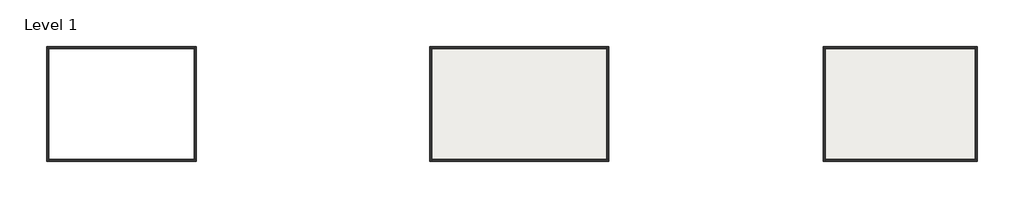
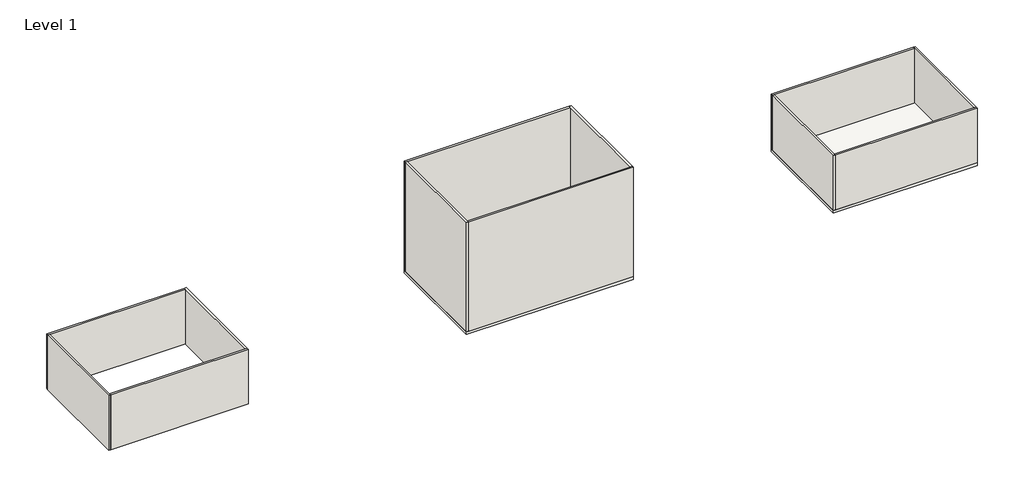
# One storey: 12 walls, 2 slabs.
"""IFC4 building model written with IfcOpenShell, lengths in millimetres."""

from ifc_helpers import new_model, si_unit, frame, origin, place, context, project, spatial, polyline, outline, extrude, faceted_brep, element, save

model = new_model("IFC4")

# Units and contexts
model_context = context("Model", 3, world=origin())
ifc_project = project(units=[si_unit("LENGTHUNIT", "METRE", prefix="MILLI")], contexts=[model_context])

# Site, building, storey
site = spatial("IfcSite", under=ifc_project)
building = spatial("IfcBuilding", under=site)
storey = spatial("IfcBuildingStorey", under=building, Name="Level 1", Elevation=0.0)

# Slabs
placement = place(None, origin())
element("IfcSlab", 1, ObjectType="Generic - 12\"", at=placement, inside=storey, context=model_context, shape_type="SweptSolid", body=[
    extrude(outline(polyline([(57853.174603, 12081.3390377), (57853.174603, 752.9390377), (40276.374603, 752.9390377), (40276.374603, 12081.3390377), (57853.174603, 12081.3390377)])), frame((0.0, 0.0, -304.8), z_axis=(0.0, 0.0, 1.0), x_axis=(1.0, 0.0, 0.0)), (0.0, 0.0, 1.0), 304.8),
])
element("IfcSlab", 2, ObjectType="Generic - 12\"", at=placement, inside=storey, context=model_context, shape_type="SweptSolid", body=[
    extrude(outline(polyline([(94124.374603, 12081.3390377), (94124.374603, 752.9390377), (78940.0846015, 752.9390377), (78940.0846015, 12081.3390377), (94124.374603, 12081.3390377)])), frame((0.0, 0.0, -304.8), z_axis=(0.0, 0.0, 1.0), x_axis=(1.0, 0.0, 0.0)), (0.0, 0.0, 1.0), 304.8),
])

# Walls
element("IfcWall", 3, ObjectType="Generic - 8\"", at=placement, inside=storey, context=model_context, shape_type="Brep", body=[
    faceted_brep([(40276.374603, 11878.1390377, 0.0), (40479.574603, 11878.1390377, 0.0), (57649.974603, 11878.1390377, 0.0), (57649.974603, 11878.1390377, 2743.2), (57649.974603, 11878.1390377, 3048.0), (57649.974603, 11878.1390377, 5791.2), (57649.974603, 11878.1390377, 6096.0), (57649.974603, 11878.1390377, 8839.2), (57649.974603, 11878.1390377, 9144.0), (57649.974603, 11878.1390377, 12192.0), (40479.574603, 11878.1390377, 12192.0), (40276.374603, 11878.1390377, 12192.0), (40276.374603, 12081.3390377, 0.0), (40276.374603, 12081.3390377, 12192.0), (57649.974603, 12081.3390377, 12192.0), (57649.974603, 12081.3390377, 0.0)], [[[0, 1, 2, 3, 4, 5, 6, 7, 8, 9, 10, 11]], [[12, 13, 14, 15]], [[2, 1, 0, 12, 15]], [[11, 10, 9, 14, 13]], [[0, 11, 13, 12]], [[9, 8, 7, 6, 5, 4, 3, 2, 15, 14]]]),
])
element("IfcWall", 4, ObjectType="Generic - 8\"", at=placement, inside=storey, context=model_context, shape_type="Brep", body=[
    faceted_brep([(40479.574603, 752.9390377, 0.0), (40479.574603, 956.1390377, 0.0), (40479.574603, 11878.1390377, 0.0), (40479.574603, 11878.1390377, 2743.2), (40479.574603, 11878.1390377, 3048.0), (40479.574603, 11878.1390377, 5791.2), (40479.574603, 11878.1390377, 6096.0), (40479.574603, 11878.1390377, 8839.2), (40479.574603, 11878.1390377, 9144.0), (40479.574603, 11878.1390377, 12192.0), (40479.574603, 956.1390377, 12192.0), (40479.574603, 752.9390377, 12192.0), (40276.374603, 752.9390377, 0.0), (40276.374603, 752.9390377, 12192.0), (40276.374603, 11878.1390377, 12192.0), (40276.374603, 11878.1390377, 0.0)], [[[0, 1, 2, 3, 4, 5, 6, 7, 8, 9, 10, 11]], [[12, 13, 14, 15]], [[2, 1, 0, 12, 15]], [[11, 10, 9, 14, 13]], [[0, 11, 13, 12]], [[9, 8, 7, 6, 5, 4, 3, 2, 15, 14]]]),
])
element("IfcWall", 5, ObjectType="Generic - 8\"", at=placement, inside=storey, context=model_context, shape_type="Brep", body=[
    faceted_brep([(57853.174603, 956.1390377, 0.0), (57649.974603, 956.1390377, 0.0), (40479.574603, 956.1390377, 0.0), (40479.574603, 956.1390377, 2743.2), (40479.574603, 956.1390377, 3048.0), (40479.574603, 956.1390377, 5791.2), (40479.574603, 956.1390377, 6096.0), (40479.574603, 956.1390377, 8839.2), (40479.574603, 956.1390377, 9144.0), (40479.574603, 956.1390377, 12192.0), (57649.974603, 956.1390377, 12192.0), (57853.174603, 956.1390377, 12192.0), (57853.174603, 752.9390377, 0.0), (57853.174603, 752.9390377, 12192.0), (40479.574603, 752.9390377, 12192.0), (40479.574603, 752.9390377, 0.0)], [[[0, 1, 2, 3, 4, 5, 6, 7, 8, 9, 10, 11]], [[12, 13, 14, 15]], [[2, 1, 0, 12, 15]], [[11, 10, 9, 14, 13]], [[0, 11, 13, 12]], [[9, 8, 7, 6, 5, 4, 3, 2, 15, 14]]]),
])
element("IfcWall", 6, ObjectType="Generic - 8\"", at=placement, inside=storey, context=model_context, shape_type="Brep", body=[
    faceted_brep([(57649.974603, 12081.3390377, 0.0), (57649.974603, 11878.1390377, 0.0), (57649.974603, 956.1390377, 0.0), (57649.974603, 956.1390377, 2743.2), (57649.974603, 956.1390377, 3048.0), (57649.974603, 956.1390377, 5791.2), (57649.974603, 956.1390377, 6096.0), (57649.974603, 956.1390377, 8839.2), (57649.974603, 956.1390377, 9144.0), (57649.974603, 956.1390377, 12192.0), (57649.974603, 11878.1390377, 12192.0), (57649.974603, 12081.3390377, 12192.0), (57853.174603, 12081.3390377, 0.0), (57853.174603, 12081.3390377, 12192.0), (57853.174603, 956.1390377, 12192.0), (57853.174603, 956.1390377, 0.0)], [[[0, 1, 2, 3, 4, 5, 6, 7, 8, 9, 10, 11]], [[12, 13, 14, 15]], [[2, 1, 0, 12, 15]], [[11, 10, 9, 14, 13]], [[0, 11, 13, 12]], [[9, 8, 7, 6, 5, 4, 3, 2, 15, 14]]]),
])
element("IfcWall", 7, ObjectType="Generic - 8\"", at=placement, inside=storey, context=model_context, shape_type="Brep", body=[
    faceted_brep([(2589.536346, 11878.1390377, 0.0), (2792.736346, 11878.1390377, 0.0), (17111.574603, 11878.1390377, 0.0), (17111.574603, 11878.1390377, 6096.0), (2792.736346, 11878.1390377, 6096.0), (2589.536346, 11878.1390377, 6096.0), (2589.536346, 12081.3390377, 0.0), (2589.536346, 12081.3390377, 6096.0), (17111.574603, 12081.3390377, 6096.0), (17111.574603, 12081.3390377, 0.0)], [[[0, 1, 2, 3, 4, 5]], [[6, 7, 8, 9]], [[2, 1, 0, 6, 9]], [[5, 4, 3, 8, 7]], [[0, 5, 7, 6]], [[3, 2, 9, 8]]]),
])
element("IfcWall", 8, ObjectType="Generic - 8\"", at=placement, inside=storey, context=model_context, shape_type="Brep", body=[
    faceted_brep([(2792.736346, 752.9390377, 0.0), (2792.736346, 956.1390377, 0.0), (2792.736346, 11878.1390377, 0.0), (2792.736346, 11878.1390377, 6096.0), (2792.736346, 956.1390377, 6096.0), (2792.736346, 752.9390377, 6096.0), (2589.536346, 752.9390377, 0.0), (2589.536346, 752.9390377, 6096.0), (2589.536346, 11878.1390377, 6096.0), (2589.536346, 11878.1390377, 0.0)], [[[0, 1, 2, 3, 4, 5]], [[6, 7, 8, 9]], [[2, 1, 0, 6, 9]], [[5, 4, 3, 8, 7]], [[0, 5, 7, 6]], [[3, 2, 9, 8]]]),
])
element("IfcWall", 9, ObjectType="Generic - 8\"", at=placement, inside=storey, context=model_context, shape_type="Brep", body=[
    faceted_brep([(17314.774603, 956.1390377, 0.0), (17111.574603, 956.1390377, 0.0), (2792.736346, 956.1390377, 0.0), (2792.736346, 956.1390377, 6096.0), (17111.574603, 956.1390377, 6096.0), (17314.774603, 956.1390377, 6096.0), (17314.774603, 752.9390377, 0.0), (17314.774603, 752.9390377, 6096.0), (2792.736346, 752.9390377, 6096.0), (2792.736346, 752.9390377, 0.0)], [[[0, 1, 2, 3, 4, 5]], [[6, 7, 8, 9]], [[2, 1, 0, 6, 9]], [[5, 4, 3, 8, 7]], [[0, 5, 7, 6]], [[3, 2, 9, 8]]]),
])
element("IfcWall", 10, ObjectType="Generic - 8\"", at=placement, inside=storey, context=model_context, shape_type="Brep", body=[
    faceted_brep([(17111.574603, 12081.3390377, 0.0), (17111.574603, 11878.1390377, 0.0), (17111.574603, 956.1390377, 0.0), (17111.574603, 956.1390377, 6096.0), (17111.574603, 11878.1390377, 6096.0), (17111.574603, 12081.3390377, 6096.0), (17314.774603, 12081.3390377, 0.0), (17314.774603, 12081.3390377, 6096.0), (17314.774603, 956.1390377, 6096.0), (17314.774603, 956.1390377, 0.0)], [[[0, 1, 2, 3, 4, 5]], [[6, 7, 8, 9]], [[2, 1, 0, 6, 9]], [[5, 4, 3, 8, 7]], [[0, 5, 7, 6]], [[3, 2, 9, 8]]]),
])
element("IfcWall", 11, ObjectType="Generic - 8\"", at=placement, inside=storey, context=model_context, shape_type="Brep", body=[
    faceted_brep([(78940.0846015, 11878.1390377, 0.0), (79143.2846015, 11878.1390377, 0.0), (93921.174603, 11878.1390377, 0.0), (93921.174603, 11878.1390377, 2743.2), (93921.174603, 11878.1390377, 3048.0), (93921.174603, 11878.1390377, 6096.0), (79143.2846015, 11878.1390377, 6096.0), (78940.0846015, 11878.1390377, 6096.0), (78940.0846015, 12081.3390377, 0.0), (78940.0846015, 12081.3390377, 6096.0), (93921.174603, 12081.3390377, 6096.0), (93921.174603, 12081.3390377, 0.0)], [[[0, 1, 2, 3, 4, 5, 6, 7]], [[8, 9, 10, 11]], [[2, 1, 0, 8, 11]], [[7, 6, 5, 10, 9]], [[0, 7, 9, 8]], [[5, 4, 3, 2, 11, 10]]]),
])
element("IfcWall", 12, ObjectType="Generic - 8\"", at=placement, inside=storey, context=model_context, shape_type="Brep", body=[
    faceted_brep([(79143.2846015, 752.9390377, 0.0), (79143.2846015, 956.1390377, 0.0), (79143.2846015, 11878.1390377, 0.0), (79143.2846015, 11878.1390377, 2743.2), (79143.2846015, 11878.1390377, 3048.0), (79143.2846015, 11878.1390377, 6096.0), (79143.2846015, 956.1390377, 6096.0), (79143.2846015, 752.9390377, 6096.0), (78940.0846015, 752.9390377, 0.0), (78940.0846015, 752.9390377, 6096.0), (78940.0846015, 11878.1390377, 6096.0), (78940.0846015, 11878.1390377, 0.0)], [[[0, 1, 2, 3, 4, 5, 6, 7]], [[8, 9, 10, 11]], [[2, 1, 0, 8, 11]], [[7, 6, 5, 10, 9]], [[0, 7, 9, 8]], [[5, 4, 3, 2, 11, 10]]]),
])
element("IfcWall", 13, ObjectType="Generic - 8\"", at=placement, inside=storey, context=model_context, shape_type="Brep", body=[
    faceted_brep([(94124.374603, 956.1390377, 0.0), (93921.174603, 956.1390377, 0.0), (79143.2846015, 956.1390377, 0.0), (79143.2846015, 956.1390377, 2743.2), (79143.2846015, 956.1390377, 3048.0), (79143.2846015, 956.1390377, 6096.0), (93921.174603, 956.1390377, 6096.0), (94124.374603, 956.1390377, 6096.0), (94124.374603, 752.9390377, 0.0), (94124.374603, 752.9390377, 6096.0), (79143.2846015, 752.9390377, 6096.0), (79143.2846015, 752.9390377, 0.0)], [[[0, 1, 2, 3, 4, 5, 6, 7]], [[8, 9, 10, 11]], [[2, 1, 0, 8, 11]], [[7, 6, 5, 10, 9]], [[0, 7, 9, 8]], [[5, 4, 3, 2, 11, 10]]]),
])
element("IfcWall", 14, ObjectType="Generic - 8\"", at=placement, inside=storey, context=model_context, shape_type="Brep", body=[
    faceted_brep([(93921.174603, 12081.3390377, 0.0), (93921.174603, 11878.1390377, 0.0), (93921.174603, 956.1390377, 0.0), (93921.174603, 956.1390377, 2743.2), (93921.174603, 956.1390377, 3048.0), (93921.174603, 956.1390377, 6096.0), (93921.174603, 11878.1390377, 6096.0), (93921.174603, 12081.3390377, 6096.0), (94124.374603, 12081.3390377, 0.0), (94124.374603, 12081.3390377, 6096.0), (94124.374603, 956.1390377, 6096.0), (94124.374603, 956.1390377, 0.0)], [[[0, 1, 2, 3, 4, 5, 6, 7]], [[8, 9, 10, 11]], [[2, 1, 0, 8, 11]], [[7, 6, 5, 10, 9]], [[0, 7, 9, 8]], [[5, 4, 3, 2, 11, 10]]]),
])

save(model, "model.ifc")
